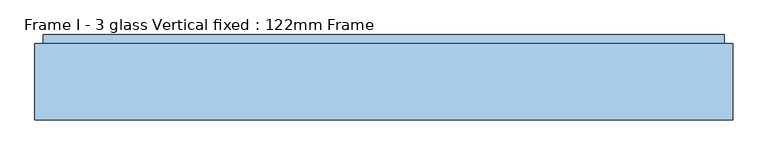
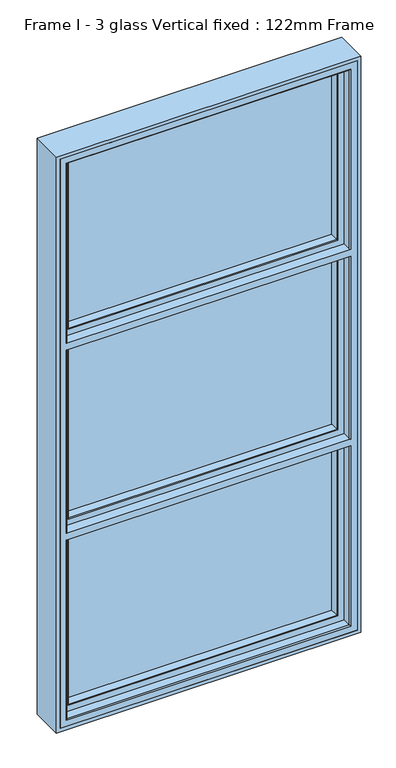
"""IFC4 building model written with IfcOpenShell, lengths in millimetres: window geometry, Frame I - 3 glass Vertical fixed : 122mm Frame."""

from ifc_helpers import new_model, si_unit, frame, origin, place, context, project, spatial, polyline, circle_curve, ellipse_curve, outline, extrude, source, transform, mapped, element, save
from ifc_brep_helpers import plane_surface, cylinder_surface, advanced_brep


def frame_i_3_glass_vertical_fixed_122mm_frame_846fc6fb(model_context):
    return source(origin(), model_context, "Body", "SolidModel", [
        extrude(outline(polyline([(-452.6, 141.0), (452.6, 141.0), (452.6, 93.0), (-452.6, 93.0), (-452.6, 141.0)])), frame((0.0, 0.0, 847.4), z_axis=(0.0, 0.0, 1.0), x_axis=(1.0, 0.0, 0.0)), (0.0, 0.0, 1.0), 599.2666667),
        advanced_brep(
        [(-437.8697056, 91.0, 1432.9363723), (-440.9078547, 66.2562613, 1435.9745214), (-440.9078547, 66.2562613, 859.0921453), (-437.8697056, 91.0, 862.1302944), (-442.892947, 64.5, 1437.9596137), (-442.892947, 64.5, 857.107053), (440.9078547, 66.2562613, 859.0921453), (437.8697056, 91.0, 862.1302944), (-461.5, 91.0, 1456.5666667), (461.5, 91.0, 1456.5666667), (461.5, 91.0, 838.5), (-461.5, 91.0, 838.5), (437.8697056, 91.0, 1432.9363723), (-461.5, 82.0, 1456.5666667), (-461.5, 82.0, 838.5), (461.5, 82.0, 838.5), (-464.0, 82.0, 1459.0666667), (464.0, 82.0, 1459.0666667), (464.0, 82.0, 836.0), (-464.0, 82.0, 836.0), (461.5, 82.0, 1456.5666667), (-464.0, 64.5, 1459.0666667), (-464.0, 64.5, 836.0), (464.0, 64.5, 836.0), (464.0, 64.5, 1459.0666667), (442.892947, 64.5, 1437.9596137), (442.892947, 64.5, 857.107053), (440.9078547, 66.2562613, 1435.9745214)],
        [
            (0, 1),
            (1, 2),
            (2, 3),
            (3, 0),
            (1, 4, ellipse_curve(frame((-442.892947, 66.5, 1437.9596137), z_axis=(-0.7071067811865475, 0.0, -0.7071067811865475), x_axis=(-0.7071067811865474, 0.0, 0.7071067811865476)), 2.8284271, 2.0)),
            (4, 5),
            (5, 2, ellipse_curve(frame((-442.892947, 66.5, 857.107053), z_axis=(-0.7071067811865475, 0.0, 0.7071067811865475), x_axis=(0.7071067811865474, 0.0, 0.7071067811865476)), 2.8284271, 2.0)),
            (2, 6),
            (6, 7),
            (7, 3),
            (8, 9),
            (9, 10),
            (10, 11),
            (11, 8),
            (7, 12),
            (12, 0),
            (13, 8),
            (11, 14),
            (14, 13),
            (10, 15),
            (15, 14),
            (16, 17),
            (17, 18),
            (18, 19),
            (19, 16),
            (15, 20),
            (20, 13),
            (21, 16),
            (19, 22),
            (22, 21),
            (18, 23),
            (23, 22),
            (23, 24),
            (24, 21),
            (4, 25),
            (25, 26),
            (26, 5),
            (26, 6, ellipse_curve(frame((442.892947, 66.5, 857.107053), z_axis=(-0.7071067811865475, 0.0, -0.7071067811865475), x_axis=(-0.7071067811865476, 0.0, 0.7071067811865474)), 2.8284271, 2.0)),
            (6, 27),
            (27, 12),
            (9, 20),
            (17, 24),
            (25, 27, ellipse_curve(frame((442.892947, 66.5, 1437.9596137), z_axis=(0.7071067811865475, 0.0, -0.7071067811865475), x_axis=(-0.7071067811865474, 0.0, -0.7071067811865476)), 2.8284271, 2.0)),
            (27, 1),
        ],
        [
            plane_surface(frame((-440.9078547, 66.2562613, 1435.9745214), z_axis=(0.9925461516413219, -0.12186934340514886, 0.0), x_axis=(0.0, 0.0, -1.0))),
            cylinder_surface(frame((-442.892947, 66.5, 1432.6666667), z_axis=(0.0, 0.0, 1.0), x_axis=(0.0, 1.0, 0.0)), 2.0),
            plane_surface(frame((-440.9078547, 66.2562613, 859.0921453), z_axis=(0.0, -0.12186934340514886, 0.9925461516413219), x_axis=(1.0, 0.0, 0.0))),
            plane_surface(frame((437.8697056, 91.0, 1432.9363723), z_axis=(0.0, 1.0, 0.0), x_axis=(-1.0, 0.0, 0.0))),
            plane_surface(frame((-461.5, 91.0, 1456.5666667), z_axis=(-1.0, 0.0, 0.0), x_axis=(0.0, 0.0, -1.0))),
            plane_surface(frame((-461.5, 91.0, 838.5), z_axis=(0.0, 0.0, -1.0), x_axis=(1.0, 0.0, 0.0))),
            plane_surface(frame((461.5, 82.0, 1456.5666667), z_axis=(0.0, 1.0, 0.0), x_axis=(-1.0, 0.0, 0.0))),
            plane_surface(frame((-464.0, 82.0, 1459.0666667), z_axis=(-1.0, 0.0, 0.0), x_axis=(0.0, 0.0, -1.0))),
            plane_surface(frame((-464.0, 82.0, 836.0), z_axis=(0.0, 0.0, -1.0), x_axis=(1.0, 0.0, 0.0))),
            plane_surface(frame((464.0, 64.5, 1459.0666667), z_axis=(0.0, -1.0, 0.0), x_axis=(-1.0, 0.0, 0.0))),
            cylinder_surface(frame((-437.6, 66.5, 857.107053), z_axis=(-1.0, 0.0, 0.0), x_axis=(0.0, 1.0, 0.0)), 2.0),
            plane_surface(frame((440.9078547, 66.2562613, 859.0921453), z_axis=(-0.9925461516413219, -0.12186934340514886, 0.0), x_axis=(0.0, 0.0, 1.0))),
            plane_surface(frame((461.5, 91.0, 838.5), z_axis=(1.0, 0.0, 0.0), x_axis=(0.0, 0.0, 1.0))),
            plane_surface(frame((464.0, 82.0, 836.0), z_axis=(1.0, 0.0, 0.0), x_axis=(0.0, 0.0, 1.0))),
            cylinder_surface(frame((442.892947, 66.5, 862.4), z_axis=(0.0, 0.0, -1.0), x_axis=(0.0, 1.0, 0.0)), 2.0),
            plane_surface(frame((440.9078547, 66.2562613, 1435.9745214), z_axis=(0.0, -0.12186934340514886, -0.9925461516413219), x_axis=(-1.0, 0.0, 0.0))),
            plane_surface(frame((461.5, 91.0, 1456.5666667), z_axis=(0.0, 0.0, 1.0), x_axis=(-1.0, 0.0, 0.0))),
            plane_surface(frame((464.0, 82.0, 1459.0666667), z_axis=(0.0, 0.0, 1.0), x_axis=(-1.0, 0.0, 0.0))),
            cylinder_surface(frame((437.6, 66.5, 1437.9596137), z_axis=(1.0, 0.0, 0.0), x_axis=(0.0, 1.0, 0.0)), 2.0),
        ],
        [
            (0, [[1, 2, 3, 4]]),
            (1, [[5, 6, 7, -2]]),
            (2, [[-3, 8, 9, 10]]),
            (3, [[11, 12, 13, 14], [-10, 15, 16, -4]]),
            (4, [[17, -14, 18, 19]]),
            (5, [[-18, -13, 20, 21]]),
            (6, [[22, 23, 24, 25], [-21, 26, 27, -19]]),
            (7, [[28, -25, 29, 30]]),
            (8, [[-29, -24, 31, 32]]),
            (9, [[-32, 33, 34, -30], [35, 36, 37, -6]]),
            (10, [[-7, -37, 38, -8]]),
            (11, [[-9, 39, 40, -15]]),
            (12, [[-20, -12, 41, -26]]),
            (13, [[-31, -23, 42, -33]]),
            (14, [[-38, -36, 43, -39]]),
            (15, [[-40, 44, -1, -16]]),
            (16, [[-41, -11, -17, -27]]),
            (17, [[-42, -22, -28, -34]]),
            (18, [[-43, -35, -5, -44]]),
        ],
    ),
        advanced_brep(
        [(-488.0, 90.5, 2788.0), (-488.0, 154.0, 2788.0), (-488.0, 154.0, 812.0), (-488.0, 90.5, 812.0), (-488.0, 90.5, 1458.6666667), (-488.0, 86.5, 1458.6666667), (-488.0, 86.5, 812.0), (-488.0, 32.0, 812.0), (-488.0, 32.0, 2788.0), (-488.0, 86.5, 2788.0), (-488.0, 86.5, 2141.3333333), (-488.0, 90.5, 2141.3333333), (-488.0, 90.5, 1482.6666667), (-488.0, 90.5, 2117.3333333), (-488.0, 86.5, 2117.3333333), (-488.0, 86.5, 1482.6666667), (488.0, 154.0, 2788.0), (488.0, 154.0, 812.0), (-441.2576108, 154.0, 858.7423892), (441.2576108, 154.0, 858.7423892), (441.2576108, 154.0, 1435.9242774), (-441.2576108, 154.0, 1435.9242774), (441.2576108, 154.0, 2741.2576108), (-441.2576108, 154.0, 2741.2576108), (-441.2576108, 154.0, 2164.0757226), (441.2576108, 154.0, 2164.0757226), (441.2576108, 154.0, 1505.4090559), (441.2576108, 154.0, 2094.5909441), (-441.2576108, 154.0, 2094.5909441), (-441.2576108, 154.0, 1505.4090559), (488.0, 90.5, 812.0), (488.0, 90.5, 1458.6666667), (481.0, 90.5, 1458.6666667), (481.0, 90.5, 819.0), (-481.0, 90.5, 819.0), (-481.0, 90.5, 1458.6666667), (488.0, 90.5, 2788.0), (-481.0, 90.5, 2141.3333333), (-481.0, 90.5, 2781.0), (481.0, 90.5, 2781.0), (481.0, 90.5, 2141.3333333), (488.0, 90.5, 2141.3333333), (-481.0, 90.5, 1482.6666667), (-481.0, 90.5, 2117.3333333), (481.0, 90.5, 1482.6666667), (488.0, 90.5, 1482.6666667), (488.0, 90.5, 2117.3333333), (481.0, 90.5, 2117.3333333), (-481.0, 86.5, 819.0), (481.0, 86.5, 819.0), (481.0, 86.5, 1458.6666667), (488.0, 86.5, 1458.6666667), (488.0, 86.5, 812.0), (-481.0, 86.5, 1458.6666667), (481.0, 86.5, 2781.0), (-481.0, 86.5, 2781.0), (-481.0, 86.5, 2141.3333333), (488.0, 86.5, 2788.0), (488.0, 86.5, 2141.3333333), (481.0, 86.5, 2141.3333333), (-481.0, 86.5, 1482.6666667), (-481.0, 86.5, 2117.3333333), (488.0, 86.5, 1482.6666667), (481.0, 86.5, 1482.6666667), (481.0, 86.5, 2117.3333333), (488.0, 86.5, 2117.3333333), (488.0, 32.0, 812.0), (488.0, 32.0, 2788.0), (467.0, 32.0, 833.0), (-467.0, 32.0, 833.0), (-467.0, 32.0, 1458.6666667), (467.0, 32.0, 1458.6666667), (-467.0, 32.0, 2767.0), (467.0, 32.0, 2767.0), (467.0, 32.0, 2141.3333333), (-467.0, 32.0, 2141.3333333), (-467.0, 32.0, 1482.6666667), (-467.0, 32.0, 2117.3333333), (467.0, 32.0, 2117.3333333), (467.0, 32.0, 1482.6666667), (-438.0131086, 143.3877115, 861.9868914), (-438.0131086, 142.0, 861.9868914), (438.0131086, 142.0, 861.9868914), (438.0131086, 143.3877115, 861.9868914), (-462.2226568, 142.0, 837.7773432), (462.2226568, 142.0, 837.7773432), (462.2226568, 142.0, 1456.7286793), (-462.2226568, 142.0, 1456.7286793), (-438.0131086, 142.0, 1432.2555093), (438.0131086, 142.0, 1432.2555093), (462.2226568, 142.0, 2762.2226568), (-462.2226568, 142.0, 2762.2226568), (-462.2226568, 142.0, 2143.2713207), (462.2226568, 142.0, 2143.2713207), (-438.0131086, 142.0, 2738.0131086), (438.0131086, 142.0, 2738.0131086), (438.0131086, 142.0, 2167.7444907), (-438.0131086, 142.0, 2167.7444907), (-462.2226568, 142.0, 1484.6046541), (462.2226568, 142.0, 1484.6046541), (462.2226568, 142.0, 2115.3953459), (-462.2226568, 142.0, 2115.3953459), (438.0131086, 142.0, 1509.0778241), (-438.0131086, 142.0, 1509.0778241), (-438.0131086, 142.0, 2090.9221759), (438.0131086, 142.0, 2090.9221759), (-438.0131086, 143.3877115, 1432.6797752), (-438.0131086, 143.3877115, 2738.0131086), (-438.0131086, 143.3877115, 2167.3202248), (-438.0131086, 143.3877115, 1508.6535581), (-438.0131086, 143.3877115, 2091.3464419), (438.0131086, 143.3877115, 1432.6797752), (438.0131086, 143.3877115, 2738.0131086), (438.0131086, 143.3877115, 2167.3202248), (438.0131086, 143.3877115, 1508.6535581), (438.0131086, 143.3877115, 2091.3464419), (-455.7805994, 91.0, 844.2194006), (455.7805994, 91.0, 844.2194006), (455.7805994, 91.0, 1450.4666667), (455.7805994, 91.0, 2755.7805994), (455.7805994, 91.0, 2149.5333333), (455.7805994, 91.0, 1490.8666667), (455.7805994, 91.0, 2109.1333333), (-455.7805994, 91.0, 1450.4666667), (-455.7805994, 91.0, 2755.7805994), (-455.7805994, 91.0, 2149.5333333), (-455.7805994, 91.0, 1490.8666667), (-455.7805994, 91.0, 2109.1333333), (-462.0, 91.0, 838.0), (462.0, 91.0, 838.0), (462.0, 91.0, 1458.6666667), (-462.0, 91.0, 1458.6666667), (462.0, 91.0, 2762.0), (-462.0, 91.0, 2762.0), (-462.0, 91.0, 2141.3333333), (462.0, 91.0, 2141.3333333), (-462.0, 91.0, 1482.6666667), (462.0, 91.0, 1482.6666667), (462.0, 91.0, 2117.3333333), (-462.0, 91.0, 2117.3333333), (-462.0, 83.0, 838.0), (462.0, 83.0, 838.0), (462.0, 83.0, 1458.6666667), (462.0, 83.0, 2762.0), (462.0, 83.0, 2141.3333333), (462.0, 83.0, 1482.6666667), (462.0, 83.0, 2117.3333333), (-462.0, 83.0, 1458.6666667), (-462.0, 83.0, 2762.0), (-462.0, 83.0, 2141.3333333), (-462.0, 83.0, 1482.6666667), (-462.0, 83.0, 2117.3333333), (464.0, 35.0, 836.0), (-464.0, 35.0, 836.0), (-464.0, 35.0, 1458.6666667), (-464.0, 35.0, 2764.0), (-464.0, 35.0, 2141.3333333), (-464.0, 35.0, 1482.6666667), (-464.0, 35.0, 2117.3333333), (464.0, 35.0, 1458.6666667), (464.0, 35.0, 2764.0), (464.0, 35.0, 2141.3333333), (464.0, 35.0, 1482.6666667), (464.0, 35.0, 2117.3333333), (-464.0, 83.0, 836.0), (-464.0, 83.0, 1458.6666667), (-464.0, 83.0, 2764.0), (-464.0, 83.0, 2141.3333333), (-464.0, 83.0, 1482.6666667), (-464.0, 83.0, 2117.3333333), (464.0, 83.0, 836.0), (464.0, 83.0, 1458.6666667), (464.0, 83.0, 2764.0), (464.0, 83.0, 2141.3333333), (464.0, 83.0, 1482.6666667), (464.0, 83.0, 2117.3333333)],
        [
            (0, 1),
            (1, 2),
            (2, 3),
            (3, 4),
            (4, 5),
            (5, 6),
            (6, 7),
            (7, 8),
            (8, 9),
            (9, 10),
            (10, 11),
            (11, 0),
            (12, 13),
            (13, 14),
            (14, 15),
            (15, 12),
            (16, 17),
            (17, 2),
            (1, 16),
            (18, 19),
            (19, 20),
            (20, 21),
            (21, 18),
            (22, 23),
            (23, 24),
            (24, 25),
            (25, 22),
            (26, 27),
            (27, 28),
            (28, 29),
            (29, 26),
            (17, 30),
            (30, 3),
            (30, 31),
            (31, 32),
            (32, 33),
            (33, 34),
            (34, 35),
            (35, 4),
            (36, 0),
            (11, 37),
            (37, 38),
            (38, 39),
            (39, 40),
            (40, 41),
            (41, 36),
            (12, 42),
            (42, 43),
            (43, 13),
            (44, 45),
            (45, 46),
            (46, 47),
            (47, 44),
            (48, 49),
            (49, 50),
            (50, 51),
            (51, 52),
            (52, 6),
            (5, 53),
            (53, 48),
            (54, 55),
            (55, 56),
            (56, 10),
            (9, 57),
            (57, 58),
            (58, 59),
            (59, 54),
            (60, 15),
            (14, 61),
            (61, 60),
            (62, 63),
            (63, 64),
            (64, 65),
            (65, 62),
            (66, 7),
            (52, 66),
            (66, 67),
            (67, 8),
            (68, 69),
            (69, 70),
            (70, 71),
            (71, 68),
            (72, 73),
            (73, 74),
            (74, 75),
            (75, 72),
            (76, 77),
            (77, 78),
            (78, 79),
            (79, 76),
            (16, 36),
            (41, 58),
            (57, 67),
            (51, 31),
            (65, 46),
            (45, 62),
            (80, 81),
            (81, 82),
            (82, 83),
            (83, 80),
            (84, 85),
            (85, 86),
            (86, 87),
            (87, 84),
            (81, 88),
            (88, 89),
            (89, 82),
            (90, 91),
            (91, 92),
            (92, 93),
            (93, 90),
            (94, 95),
            (95, 96),
            (96, 97),
            (97, 94),
            (98, 99),
            (99, 100),
            (100, 101),
            (101, 98),
            (102, 103),
            (103, 104),
            (104, 105),
            (105, 102),
            (80, 106),
            (106, 88),
            (107, 94),
            (97, 108),
            (108, 107),
            (103, 109),
            (109, 110),
            (110, 104),
            (89, 111),
            (111, 83),
            (95, 112),
            (112, 113),
            (113, 96),
            (114, 102),
            (105, 115),
            (115, 114),
            (84, 116),
            (116, 117),
            (117, 85),
            (117, 118),
            (118, 86),
            (119, 90),
            (93, 120),
            (120, 119),
            (99, 121),
            (121, 122),
            (122, 100),
            (87, 123),
            (123, 116),
            (91, 124),
            (124, 125),
            (125, 92),
            (126, 98),
            (101, 127),
            (127, 126),
            (128, 129),
            (129, 130),
            (130, 131),
            (131, 128),
            (123, 118),
            (132, 133),
            (133, 134),
            (134, 135),
            (135, 132),
            (120, 125),
            (124, 119),
            (136, 137),
            (137, 138),
            (138, 139),
            (139, 136),
            (121, 126),
            (127, 122),
            (128, 140),
            (140, 141),
            (141, 129),
            (141, 142),
            (142, 130),
            (143, 132),
            (135, 144),
            (144, 143),
            (137, 145),
            (145, 146),
            (146, 138),
            (131, 147),
            (147, 140),
            (133, 148),
            (148, 149),
            (149, 134),
            (150, 136),
            (139, 151),
            (151, 150),
            (152, 153),
            (153, 69, ellipse_curve(frame((-467.0, 35.0, 833.0), z_axis=(0.7071067811865475, 0.0, -0.7071067811865475), x_axis=(-0.7071067811865476, 0.0, -0.7071067811865474)), 4.2426407, 3.0)),
            (68, 152, ellipse_curve(frame((467.0, 35.0, 833.0), z_axis=(-0.7071067811865475, 0.0, -0.7071067811865475), x_axis=(-0.7071067811865476, 0.0, 0.7071067811865474)), 4.2426407, 3.0)),
            (153, 154),
            (154, 70, circle_curve(frame((-467.0, 35.0, 1458.6666667), z_axis=(0.0, 0.0, -1.0), x_axis=(0.0, 1.0, 0.0)), 3.0)),
            (155, 72, ellipse_curve(frame((-467.0, 35.0, 2767.0), z_axis=(-0.7071067811865475, 0.0, -0.7071067811865475), x_axis=(-0.7071067811865474, 0.0, 0.7071067811865476)), 4.2426407, 3.0)),
            (75, 156, circle_curve(frame((-467.0, 35.0, 2141.3333333), z_axis=(0.0, 0.0, 1.0), x_axis=(0.0, 1.0, 0.0)), 3.0)),
            (156, 155),
            (76, 157, circle_curve(frame((-467.0, 35.0, 1482.6666667), z_axis=(0.0, 0.0, 1.0), x_axis=(0.0, 1.0, 0.0)), 3.0)),
            (157, 158),
            (158, 77, circle_curve(frame((-467.0, 35.0, 2117.3333333), z_axis=(0.0, 0.0, -1.0), x_axis=(0.0, 1.0, 0.0)), 3.0)),
            (71, 159, circle_curve(frame((467.0, 35.0, 1458.6666667), z_axis=(0.0, 0.0, -1.0), x_axis=(0.0, 1.0, 0.0)), 3.0)),
            (159, 152),
            (73, 160, ellipse_curve(frame((467.0, 35.0, 2767.0), z_axis=(0.7071067811865475, 0.0, -0.7071067811865475), x_axis=(-0.7071067811865474, 0.0, -0.7071067811865476)), 4.2426407, 3.0)),
            (160, 161),
            (161, 74, circle_curve(frame((467.0, 35.0, 2141.3333333), z_axis=(0.0, 0.0, 1.0), x_axis=(0.0, 1.0, 0.0)), 3.0)),
            (162, 79, circle_curve(frame((467.0, 35.0, 1482.6666667), z_axis=(0.0, 0.0, 1.0), x_axis=(0.0, 1.0, 0.0)), 3.0)),
            (78, 163, circle_curve(frame((467.0, 35.0, 2117.3333333), z_axis=(0.0, 0.0, -1.0), x_axis=(0.0, 1.0, 0.0)), 3.0)),
            (163, 162),
            (18, 80),
            (83, 19),
            (111, 20),
            (112, 22),
            (25, 113),
            (26, 114),
            (115, 27),
            (21, 106),
            (23, 107),
            (108, 24),
            (109, 29),
            (28, 110),
            (153, 164),
            (164, 165),
            (165, 154),
            (166, 155),
            (156, 167),
            (167, 166),
            (157, 168),
            (168, 169),
            (169, 158),
            (152, 170),
            (170, 164),
            (170, 171),
            (171, 142),
            (147, 165),
            (172, 166),
            (167, 149),
            (148, 143),
            (144, 173),
            (173, 172),
            (145, 174),
            (174, 175),
            (175, 146),
            (168, 150),
            (151, 169),
            (159, 171),
            (160, 172),
            (173, 161),
            (174, 162),
            (163, 175),
            (34, 48),
            (53, 35),
            (55, 38),
            (37, 56),
            (42, 60),
            (61, 43),
            (33, 49),
            (32, 50),
            (39, 54),
            (59, 40),
            (63, 44),
            (47, 64),
            (107, 112),
            (155, 160),
        ],
        [
            plane_surface(frame((-488.0, 154.0, 1435.9242774), z_axis=(-1.0000000000000002, 0.0, 0.0), x_axis=(0.0, -0.9563047559638646, -0.29237170472002516))),
            plane_surface(frame((-488.0, 154.0, 1505.4090559), z_axis=(0.0, 1.0, 0.0), x_axis=(1.0, 0.0, 0.0))),
            plane_surface(frame((-488.0, 154.0, 812.0), z_axis=(0.0, 0.0, -1.0), x_axis=(1.0, 0.0, 0.0))),
            plane_surface(frame((488.0, 90.5, 2788.0), z_axis=(0.0, -1.0, 0.0), x_axis=(-1.0, 0.0, 0.0))),
            plane_surface(frame((481.0, 86.5, 2781.0), z_axis=(0.0, 1.0, 0.0), x_axis=(-1.0, 0.0, 0.0))),
            plane_surface(frame((-488.0, 86.5, 812.0), z_axis=(0.0, 0.0, -1.0), x_axis=(1.0, 0.0, 0.0))),
            plane_surface(frame((-488.0, 32.0, 1458.6666667), z_axis=(0.0, -1.0, 0.0), x_axis=(1.0, 0.0, 0.0))),
            plane_surface(frame((488.0, 154.0, 1435.9242774), z_axis=(1.0000000000000002, 0.0, 0.0), x_axis=(0.0, 0.9563047559638646, 0.29237170472002516))),
            plane_surface(frame((-438.0131086, 142.0, 861.9868914), z_axis=(0.0, 0.0, 1.0), x_axis=(1.0, 0.0, 0.0))),
            plane_surface(frame((-488.0, 142.0, 1432.2555093), z_axis=(0.0, -1.0, 0.0), x_axis=(1.0, 0.0, 0.0))),
            plane_surface(frame((-438.0131086, 142.0, 2738.0131086), z_axis=(1.0, 0.0, 0.0), x_axis=(0.0, 0.0, -1.0))),
            plane_surface(frame((438.0131086, 142.0, 861.9868914), z_axis=(-1.0, 0.0, 0.0), x_axis=(0.0, 0.0, 1.0))),
            plane_surface(frame((-455.7805994, 91.0, 844.2194006), z_axis=(0.0, 0.1253190461918616, 0.992116493493361), x_axis=(1.0, 0.0, 0.0))),
            plane_surface(frame((455.7805994, 91.0, 844.2194006), z_axis=(-0.992116493493361, 0.1253190461918616, 0.0), x_axis=(0.0, 0.0, 1.0))),
            plane_surface(frame((-455.7805994, 91.0, 2755.7805994), z_axis=(0.992116493493361, 0.1253190461918616, 0.0), x_axis=(0.0, 0.0, -1.0))),
            plane_surface(frame((-488.0, 91.0, 1450.4666667), z_axis=(0.0, -1.0, 0.0), x_axis=(1.0, 0.0, 0.0))),
            plane_surface(frame((-462.0, 83.0, 838.0), z_axis=(0.0, 0.0, 1.0), x_axis=(1.0, 0.0, 0.0))),
            plane_surface(frame((462.0, 83.0, 838.0), z_axis=(-1.0, 0.0, 0.0), x_axis=(0.0, 0.0, 1.0))),
            plane_surface(frame((-462.0, 83.0, 2762.0), z_axis=(1.0, 0.0, 0.0), x_axis=(0.0, 0.0, -1.0))),
            cylinder_surface(frame((-488.0, 35.0, 833.0), z_axis=(-1.0, 0.0, 0.0), x_axis=(0.0, 1.0, 0.0)), 3.0),
            cylinder_surface(frame((-467.0, 35.0, 2788.0), z_axis=(0.0, 0.0, 1.0), x_axis=(0.0, 1.0, 0.0)), 3.0),
            cylinder_surface(frame((467.0, 35.0, 812.0), z_axis=(0.0, 0.0, -1.0), x_axis=(0.0, 1.0, 0.0)), 3.0),
            plane_surface(frame((-438.0131086, 143.3877115, 861.9868914), z_axis=(0.0, 0.29237170472308205, 0.95630475596293), x_axis=(1.0, 0.0, 0.0))),
            plane_surface(frame((438.0131086, 143.3877115, 861.9868914), z_axis=(-0.95630475596293, 0.29237170472308205, 0.0), x_axis=(0.0, 0.0, 1.0))),
            plane_surface(frame((-438.0131086, 143.3877115, 2738.0131086), z_axis=(0.95630475596293, 0.29237170472308205, 0.0), x_axis=(0.0, 0.0, -1.0))),
            plane_surface(frame((-464.0, 35.0, 2764.0), z_axis=(1.0, 0.0, 0.0), x_axis=(0.0, 0.0, -1.0))),
            plane_surface(frame((-464.0, 35.0, 836.0), z_axis=(0.0, 0.0, 1.0), x_axis=(1.0, 0.0, 0.0))),
            plane_surface(frame((464.0, 83.0, 2764.0), z_axis=(0.0, -1.0, 0.0), x_axis=(-1.0, 0.0, 0.0))),
            plane_surface(frame((464.0, 35.0, 836.0), z_axis=(-1.0, 0.0, 0.0), x_axis=(0.0, 0.0, 1.0))),
            plane_surface(frame((-481.0, 90.5, 2781.0), z_axis=(-1.0, 0.0, 0.0), x_axis=(0.0, 0.0, -1.0))),
            plane_surface(frame((-481.0, 90.5, 819.0), z_axis=(0.0, 0.0, -1.0), x_axis=(1.0, 0.0, 0.0))),
            plane_surface(frame((481.0, 90.5, 819.0), z_axis=(1.0, 0.0, 0.0), x_axis=(0.0, 0.0, 1.0))),
            plane_surface(frame((488.0, 154.0, 2788.0), z_axis=(0.0, 0.0, 1.0), x_axis=(-1.0, 0.0, 0.0))),
            plane_surface(frame((488.0, 86.5, 2788.0), z_axis=(0.0, 0.0, 1.0), x_axis=(-1.0, 0.0, 0.0))),
            plane_surface(frame((438.0131086, 142.0, 2738.0131086), z_axis=(0.0, 0.0, -1.0), x_axis=(-1.0, 0.0, 0.0))),
            plane_surface(frame((-488.0, 142.0, 2167.7444907), z_axis=(0.0, 0.29237170472000895, 0.9563047559638694), x_axis=(1.0, 0.0, 0.0))),
            plane_surface(frame((455.7805994, 91.0, 2755.7805994), z_axis=(0.0, 0.1253190461918616, -0.992116493493361), x_axis=(-1.0, 0.0, 0.0))),
            plane_surface(frame((462.0, 83.0, 2762.0), z_axis=(0.0, 0.0, -1.0), x_axis=(-1.0, 0.0, 0.0))),
            cylinder_surface(frame((488.0, 35.0, 2767.0), z_axis=(1.0, 0.0, 0.0), x_axis=(0.0, 1.0, 0.0)), 3.0),
            plane_surface(frame((438.0131086, 143.3877115, 2738.0131086), z_axis=(0.0, 0.29237170472308205, -0.95630475596293), x_axis=(-1.0, 0.0, 0.0))),
            plane_surface(frame((464.0, 35.0, 2764.0), z_axis=(0.0, 0.0, -1.0), x_axis=(-1.0, 0.0, 0.0))),
            plane_surface(frame((481.0, 90.5, 2781.0), z_axis=(0.0, 0.0, 1.0), x_axis=(-1.0, 0.0, 0.0))),
            plane_surface(frame((-488.0, 154.0, 1435.9242774), z_axis=(0.0, 0.29237170472002516, -0.9563047559638646), x_axis=(1.0, 0.0, 0.0))),
            plane_surface(frame((-488.0, 142.0, 1456.7286793), z_axis=(0.0, 0.12186934340546669, -0.9925461516412829), x_axis=(1.0, 0.0, 0.0))),
            plane_surface(frame((-488.0, 91.0, 1458.6666667), z_axis=(0.0, 0.0, -1.0), x_axis=(1.0, 0.0, 0.0))),
            plane_surface(frame((-488.0, 32.0, 1482.6666667), z_axis=(0.0, 0.0, 1.0), x_axis=(1.0, 0.0, 0.0))),
            plane_surface(frame((-488.0, 91.0, 1490.8666667), z_axis=(0.0, 0.1218693434055982, 0.9925461516412667), x_axis=(1.0, 0.0, 0.0))),
            plane_surface(frame((-488.0, 142.0, 1509.0778241), z_axis=(0.0, 0.29237170472005614, 0.9563047559638551), x_axis=(1.0, 0.0, 0.0))),
            plane_surface(frame((-488.0, 154.0, 2094.5909441), z_axis=(0.0, 0.2923717047199766, -0.9563047559638794), x_axis=(1.0, 0.0, 0.0))),
            plane_surface(frame((-488.0, 142.0, 2115.3953459), z_axis=(0.0, 0.12186934340530217, -0.9925461516413031), x_axis=(1.0, 0.0, 0.0))),
            plane_surface(frame((-488.0, 91.0, 2117.3333333), z_axis=(0.0, 0.0, -1.0), x_axis=(1.0, 0.0, 0.0))),
            plane_surface(frame((-488.0, 32.0, 2141.3333333), z_axis=(0.0, 0.0, 1.0), x_axis=(1.0, 0.0, 0.0))),
            plane_surface(frame((-488.0, 91.0, 2149.5333333), z_axis=(0.0, 0.12186934340544407, 0.9925461516412857), x_axis=(1.0, 0.0, 0.0))),
        ],
        [
            (0, [[1, 2, 3, 4, 5, 6, 7, 8, 9, 10, 11, 12], [13, 14, 15, 16]]),
            (1, [[17, 18, -2, 19], [20, 21, 22, 23], [24, 25, 26, 27], [28, 29, 30, 31]]),
            (2, [[-3, -18, 32, 33]]),
            (3, [[-33, 34, 35, 36, 37, 38, 39, -4]]),
            (3, [[40, -12, 41, 42, 43, 44, 45, 46]]),
            (3, [[47, 48, 49, -13]]),
            (3, [[50, 51, 52, 53]]),
            (4, [[54, 55, 56, 57, 58, -6, 59, 60]]),
            (4, [[61, 62, 63, -10, 64, 65, 66, 67]]),
            (4, [[68, -15, 69, 70]]),
            (4, [[71, 72, 73, 74]]),
            (5, [[75, -7, -58, 76]]),
            (6, [[-8, -75, 77, 78], [79, 80, 81, 82], [83, 84, 85, 86], [87, 88, 89, 90]]),
            (7, [[-32, -17, 91, -46, 92, -65, 93, -77, -76, -57, 94, -34], [-74, 95, -51, 96]]),
            (8, [[97, 98, 99, 100]]),
            (9, [[101, 102, 103, 104], [-98, 105, 106, 107]]),
            (9, [[108, 109, 110, 111], [112, 113, 114, 115]]),
            (9, [[116, 117, 118, 119], [120, 121, 122, 123]]),
            (10, [[-97, 124, 125, -105]]),
            (10, [[126, -115, 127, 128]]),
            (10, [[129, 130, 131, -121]]),
            (11, [[-99, -107, 132, 133]]),
            (11, [[134, 135, 136, -113]]),
            (11, [[137, -123, 138, 139]]),
            (12, [[-101, 140, 141, 142]]),
            (13, [[-142, 143, 144, -102]]),
            (13, [[145, -111, 146, 147]]),
            (13, [[-117, 148, 149, 150]]),
            (14, [[-140, -104, 151, 152]]),
            (14, [[-109, 153, 154, 155]]),
            (14, [[156, -119, 157, 158]]),
            (15, [[159, 160, 161, 162], [-141, -152, 163, -143]]),
            (15, [[164, 165, 166, 167], [-147, 168, -154, 169]]),
            (15, [[170, 171, 172, 173], [174, -158, 175, -149]]),
            (16, [[176, 177, 178, -159]]),
            (17, [[-178, 179, 180, -160]]),
            (17, [[181, -167, 182, 183]]),
            (17, [[-171, 184, 185, 186]]),
            (18, [[-176, -162, 187, 188]]),
            (18, [[-165, 189, 190, 191]]),
            (18, [[192, -173, 193, 194]]),
            (19, [[195, 196, -79, 197]]),
            (20, [[-196, 198, 199, -80]]),
            (20, [[200, -86, 201, 202]]),
            (20, [[203, 204, 205, -87]]),
            (21, [[-197, -82, 206, 207]]),
            (21, [[208, 209, 210, -84]]),
            (21, [[211, -89, 212, 213]]),
            (22, [[214, -100, 215, -20]]),
            (23, [[-215, -133, 216, -21]]),
            (23, [[217, -27, 218, -135]]),
            (23, [[219, -139, 220, -28]]),
            (24, [[-214, -23, 221, -124]]),
            (24, [[222, -128, 223, -25]]),
            (24, [[224, -30, 225, -130]]),
            (25, [[226, 227, 228, -198]]),
            (25, [[229, -202, 230, 231]]),
            (25, [[232, 233, 234, -204]]),
            (26, [[-226, -195, 235, 236]]),
            (27, [[-236, 237, 238, -179, -177, -188, 239, -227]]),
            (27, [[240, -231, 241, -190, 242, -183, 243, 244]]),
            (27, [[245, 246, 247, -185]]),
            (27, [[248, -194, 249, -233]]),
            (28, [[-235, -207, 250, -237]]),
            (28, [[251, -244, 252, -209]]),
            (28, [[253, -213, 254, -246]]),
            (29, [[255, -60, 256, -38]]),
            (29, [[257, -42, 258, -62]]),
            (29, [[259, -70, 260, -48]]),
            (30, [[-255, -37, 261, -54]]),
            (31, [[-261, -36, 262, -55]]),
            (31, [[263, -67, 264, -44]]),
            (31, [[265, -53, 266, -72]]),
            (32, [[-1, -40, -91, -19]]),
            (33, [[-78, -93, -64, -9]]),
            (34, [[-126, 267, -134, -112]]),
            (35, [[-26, -223, -127, -114, -136, -218]]),
            (36, [[-108, -145, -169, -153]]),
            (37, [[-189, -164, -181, -242]]),
            (38, [[268, -208, -83, -200]]),
            (39, [[-222, -24, -217, -267]]),
            (40, [[-229, -240, -251, -268]]),
            (41, [[-257, -61, -263, -43]]),
            (42, [[-22, -216, -132, -106, -125, -221]]),
            (43, [[-163, -151, -103, -144]]),
            (44, [[-5, -39, -256, -59]]),
            (44, [[-94, -56, -262, -35]]),
            (44, [[-81, -199, -228, -239, -187, -161, -180, -238, -250, -206]]),
            (45, [[-16, -68, -259, -47]]),
            (45, [[-96, -50, -265, -71]]),
            (45, [[-90, -211, -253, -245, -184, -170, -192, -248, -232, -203]]),
            (46, [[-174, -148, -116, -156]]),
            (47, [[-120, -137, -219, -31, -224, -129]]),
            (48, [[-29, -220, -138, -122, -131, -225]]),
            (49, [[-118, -150, -175, -157]]),
            (50, [[-14, -49, -260, -69]]),
            (50, [[-95, -73, -266, -52]]),
            (50, [[-88, -205, -234, -249, -193, -172, -186, -247, -254, -212]]),
            (51, [[-11, -63, -258, -41]]),
            (51, [[-92, -45, -264, -66]]),
            (51, [[-85, -210, -252, -243, -182, -166, -191, -241, -230, -201]]),
            (52, [[-110, -155, -168, -146]]),
        ],
    ),
        extrude(outline(polyline([(2800.0, -500.0), (800.0, -500.0), (800.0, 500.0), (2800.0, 500.0), (2800.0, -500.0)]), holes=[polyline([(2788.0, 488.0), (812.0, 488.0), (812.0, -488.0), (2788.0, -488.0), (2788.0, 488.0)])]), frame((0.0, 32.0, 0.0), z_axis=(0.0, 1.0, 0.0), x_axis=(0.0, 0.0, 1.0)), (0.0, 0.0, 1.0), 109.0),
        extrude(outline(polyline([(-452.6, 141.0), (452.6, 141.0), (452.6, 93.0), (-452.6, 93.0), (-452.6, 141.0)])), frame((0.0, 0.0, 1494.6666667), z_axis=(0.0, 0.0, 1.0), x_axis=(1.0, 0.0, 0.0)), (0.0, 0.0, 1.0), 610.6666667),
        advanced_brep(
        [(-437.8697056, 91.0, 2091.6030389), (-440.9078547, 66.2562613, 2094.641188), (-440.9078547, 66.2562613, 1505.358812), (-437.8697056, 91.0, 1508.3969611), (-461.5, 82.0, 2115.2333333), (-461.5, 91.0, 2115.2333333), (-461.5, 91.0, 1484.7666667), (-461.5, 82.0, 1484.7666667), (-464.0, 64.5, 2117.7333333), (-464.0, 82.0, 2117.7333333), (-464.0, 82.0, 1482.2666667), (-464.0, 64.5, 1482.2666667), (-442.892947, 64.5, 2096.6262803), (-442.892947, 64.5, 1503.3737197), (440.9078547, 66.2562613, 1505.358812), (437.8697056, 91.0, 1508.3969611), (461.5, 91.0, 1484.7666667), (461.5, 82.0, 1484.7666667), (464.0, 82.0, 1482.2666667), (464.0, 64.5, 1482.2666667), (442.892947, 64.5, 1503.3737197), (440.9078547, 66.2562613, 2094.641188), (437.8697056, 91.0, 2091.6030389), (461.5, 91.0, 2115.2333333), (461.5, 82.0, 2115.2333333), (464.0, 82.0, 2117.7333333), (464.0, 64.5, 2117.7333333), (442.892947, 64.5, 2096.6262803)],
        [
            (0, 1),
            (1, 2),
            (2, 3),
            (3, 0),
            (4, 5),
            (5, 6),
            (6, 7),
            (7, 4),
            (8, 9),
            (9, 10),
            (10, 11),
            (11, 8),
            (1, 12, ellipse_curve(frame((-442.892947, 66.5, 2096.6262803), z_axis=(-0.7071067811865475, 0.0, -0.7071067811865475), x_axis=(-0.7071067811865474, 0.0, 0.7071067811865476)), 2.8284271, 2.0)),
            (12, 13),
            (13, 2, ellipse_curve(frame((-442.892947, 66.5, 1503.3737197), z_axis=(-0.7071067811865475, 0.0, 0.7071067811865475), x_axis=(0.7071067811865474, 0.0, 0.7071067811865476)), 2.8284271, 2.0)),
            (2, 14),
            (14, 15),
            (15, 3),
            (6, 16),
            (16, 17),
            (17, 7),
            (10, 18),
            (18, 19),
            (19, 11),
            (13, 20),
            (20, 14, ellipse_curve(frame((442.892947, 66.5, 1503.3737197), z_axis=(-0.7071067811865475, 0.0, -0.7071067811865475), x_axis=(-0.7071067811865476, 0.0, 0.7071067811865474)), 2.8284271, 2.0)),
            (14, 21),
            (21, 22),
            (22, 15),
            (16, 23),
            (23, 24),
            (24, 17),
            (18, 25),
            (25, 26),
            (26, 19),
            (20, 27),
            (27, 21, ellipse_curve(frame((442.892947, 66.5, 2096.6262803), z_axis=(0.7071067811865475, 0.0, -0.7071067811865475), x_axis=(-0.7071067811865474, 0.0, -0.7071067811865476)), 2.8284271, 2.0)),
            (21, 1),
            (0, 22),
            (5, 23),
            (4, 24),
            (9, 25),
            (8, 26),
            (12, 27),
        ],
        [
            plane_surface(frame((-440.9078547, 66.2562613, 2094.641188), z_axis=(0.9925461516413219, -0.12186934340514886, 0.0), x_axis=(0.0, 0.0, -1.0))),
            plane_surface(frame((-461.5, 91.0, 2115.2333333), z_axis=(-1.0, 0.0, 0.0), x_axis=(0.0, 0.0, -1.0))),
            plane_surface(frame((-464.0, 82.0, 2117.7333333), z_axis=(-1.0, 0.0, 0.0), x_axis=(0.0, 0.0, -1.0))),
            cylinder_surface(frame((-442.892947, 66.5, 2091.3333333), z_axis=(0.0, 0.0, 1.0), x_axis=(0.0, 1.0, 0.0)), 2.0),
            plane_surface(frame((-440.9078547, 66.2562613, 1505.358812), z_axis=(0.0, -0.12186934340514886, 0.9925461516413219), x_axis=(1.0, 0.0, 0.0))),
            plane_surface(frame((-461.5, 91.0, 1484.7666667), z_axis=(0.0, 0.0, -1.0), x_axis=(1.0, 0.0, 0.0))),
            plane_surface(frame((-464.0, 82.0, 1482.2666667), z_axis=(0.0, 0.0, -1.0), x_axis=(1.0, 0.0, 0.0))),
            cylinder_surface(frame((-437.6, 66.5, 1503.3737197), z_axis=(-1.0, 0.0, 0.0), x_axis=(0.0, 1.0, 0.0)), 2.0),
            plane_surface(frame((440.9078547, 66.2562613, 1505.358812), z_axis=(-0.9925461516413219, -0.12186934340514886, 0.0), x_axis=(0.0, 0.0, 1.0))),
            plane_surface(frame((461.5, 91.0, 1484.7666667), z_axis=(1.0, 0.0, 0.0), x_axis=(0.0, 0.0, 1.0))),
            plane_surface(frame((464.0, 82.0, 1482.2666667), z_axis=(1.0, 0.0, 0.0), x_axis=(0.0, 0.0, 1.0))),
            cylinder_surface(frame((442.892947, 66.5, 1508.6666667), z_axis=(0.0, 0.0, -1.0), x_axis=(0.0, 1.0, 0.0)), 2.0),
            plane_surface(frame((440.9078547, 66.2562613, 2094.641188), z_axis=(0.0, -0.12186934340514886, -0.9925461516413219), x_axis=(-1.0, 0.0, 0.0))),
            plane_surface(frame((437.8697056, 91.0, 2091.6030389), z_axis=(0.0, 1.0, 0.0), x_axis=(-1.0, 0.0, 0.0))),
            plane_surface(frame((461.5, 91.0, 2115.2333333), z_axis=(0.0, 0.0, 1.0), x_axis=(-1.0, 0.0, 0.0))),
            plane_surface(frame((461.5, 82.0, 2115.2333333), z_axis=(0.0, 1.0, 0.0), x_axis=(-1.0, 0.0, 0.0))),
            plane_surface(frame((464.0, 82.0, 2117.7333333), z_axis=(0.0, 0.0, 1.0), x_axis=(-1.0, 0.0, 0.0))),
            plane_surface(frame((464.0, 64.5, 2117.7333333), z_axis=(0.0, -1.0, 0.0), x_axis=(-1.0, 0.0, 0.0))),
            cylinder_surface(frame((437.6, 66.5, 2096.6262803), z_axis=(1.0, 0.0, 0.0), x_axis=(0.0, 1.0, 0.0)), 2.0),
        ],
        [
            (0, [[1, 2, 3, 4]]),
            (1, [[5, 6, 7, 8]]),
            (2, [[9, 10, 11, 12]]),
            (3, [[13, 14, 15, -2]]),
            (4, [[-3, 16, 17, 18]]),
            (5, [[-7, 19, 20, 21]]),
            (6, [[-11, 22, 23, 24]]),
            (7, [[-15, 25, 26, -16]]),
            (8, [[-17, 27, 28, 29]]),
            (9, [[-20, 30, 31, 32]]),
            (10, [[-23, 33, 34, 35]]),
            (11, [[-26, 36, 37, -27]]),
            (12, [[-28, 38, -1, 39]]),
            (13, [[40, -30, -19, -6], [-18, -29, -39, -4]]),
            (14, [[-31, -40, -5, 41]]),
            (15, [[42, -33, -22, -10], [-21, -32, -41, -8]]),
            (16, [[-34, -42, -9, 43]]),
            (17, [[-24, -35, -43, -12], [44, -36, -25, -14]]),
            (18, [[-37, -44, -13, -38]]),
        ],
    ),
        extrude(outline(polyline([(-452.6, 141.0), (452.6, 141.0), (452.6, 93.0), (-452.6, 93.0), (-452.6, 141.0)])), frame((0.0, 0.0, 2153.3333333), z_axis=(0.0, 0.0, 1.0), x_axis=(1.0, 0.0, 0.0)), (0.0, 0.0, 1.0), 599.2666667),
        advanced_brep(
        [(437.8697056, 91.0, 2737.8697056), (440.9078547, 66.2562613, 2740.9078547), (-440.9078547, 66.2562613, 2740.9078547), (-437.8697056, 91.0, 2737.8697056), (-440.9078547, 66.2562613, 2164.0254786), (-437.8697056, 91.0, 2167.0636277), (-442.892947, 64.5, 2742.892947), (-442.892947, 64.5, 2162.0403863), (440.9078547, 66.2562613, 2164.0254786), (437.8697056, 91.0, 2167.0636277), (-461.5, 91.0, 2761.5), (461.5, 91.0, 2761.5), (461.5, 91.0, 2143.4333333), (-461.5, 91.0, 2143.4333333), (461.5, 82.0, 2761.5), (-461.5, 82.0, 2761.5), (-461.5, 82.0, 2143.4333333), (-464.0, 82.0, 2764.0), (464.0, 82.0, 2764.0), (464.0, 82.0, 2140.9333333), (-464.0, 82.0, 2140.9333333), (461.5, 82.0, 2143.4333333), (464.0, 64.5, 2764.0), (-464.0, 64.5, 2764.0), (-464.0, 64.5, 2140.9333333), (464.0, 64.5, 2140.9333333), (442.892947, 64.5, 2742.892947), (442.892947, 64.5, 2162.0403863)],
        [
            (0, 1),
            (1, 2),
            (2, 3),
            (3, 0),
            (2, 4),
            (4, 5),
            (5, 3),
            (2, 6, ellipse_curve(frame((-442.892947, 66.5, 2742.892947), z_axis=(-0.7071067811865475, 0.0, -0.7071067811865475), x_axis=(-0.7071067811865474, 0.0, 0.7071067811865476)), 2.8284271, 2.0)),
            (6, 7),
            (7, 4, ellipse_curve(frame((-442.892947, 66.5, 2162.0403863), z_axis=(-0.7071067811865475, 0.0, 0.7071067811865475), x_axis=(0.7071067811865474, 0.0, 0.7071067811865476)), 2.8284271, 2.0)),
            (4, 8),
            (8, 9),
            (9, 5),
            (10, 11),
            (11, 12),
            (12, 13),
            (13, 10),
            (9, 0),
            (14, 11),
            (10, 15),
            (15, 14),
            (13, 16),
            (16, 15),
            (17, 18),
            (18, 19),
            (19, 20),
            (20, 17),
            (16, 21),
            (21, 14),
            (22, 18),
            (17, 23),
            (23, 22),
            (20, 24),
            (24, 23),
            (24, 25),
            (25, 22),
            (6, 26),
            (26, 27),
            (27, 7),
            (1, 26, ellipse_curve(frame((442.892947, 66.5, 2742.892947), z_axis=(-0.7071067811865475, 0.0, 0.7071067811865475), x_axis=(0.7071067811865476, 0.0, 0.7071067811865474)), 2.8284271, 2.0)),
            (8, 1),
            (8, 27, ellipse_curve(frame((442.892947, 66.5, 2162.0403863), z_axis=(0.7071067811865475, 0.0, 0.7071067811865475), x_axis=(0.7071067811865474, 0.0, -0.7071067811865476)), 2.8284271, 2.0)),
            (21, 12),
            (25, 19),
        ],
        [
            plane_surface(frame((440.9078547, 66.2562613, 2740.9078547), z_axis=(0.0, -0.12186934340514886, -0.9925461516413219), x_axis=(-1.0, 0.0, 0.0))),
            plane_surface(frame((-440.9078547, 66.2562613, 2740.9078547), z_axis=(0.9925461516413219, -0.12186934340514886, 0.0), x_axis=(0.0, 0.0, -1.0))),
            cylinder_surface(frame((-442.892947, 66.5, 2737.6), z_axis=(0.0, 0.0, 1.0), x_axis=(0.0, 1.0, 0.0)), 2.0),
            plane_surface(frame((-440.9078547, 66.2562613, 2164.0254786), z_axis=(0.0, -0.12186934340514886, 0.9925461516413219), x_axis=(1.0, 0.0, 0.0))),
            plane_surface(frame((437.8697056, 91.0, 2737.8697056), z_axis=(0.0, 1.0, 0.0), x_axis=(-1.0, 0.0, 0.0))),
            plane_surface(frame((461.5, 91.0, 2761.5), z_axis=(0.0, 0.0, 1.0), x_axis=(-1.0, 0.0, 0.0))),
            plane_surface(frame((-461.5, 91.0, 2761.5), z_axis=(-1.0, 0.0, 0.0), x_axis=(0.0, 0.0, -1.0))),
            plane_surface(frame((461.5, 82.0, 2761.5), z_axis=(0.0, 1.0, 0.0), x_axis=(-1.0, 0.0, 0.0))),
            plane_surface(frame((464.0, 82.0, 2764.0), z_axis=(0.0, 0.0, 1.0), x_axis=(-1.0, 0.0, 0.0))),
            plane_surface(frame((-464.0, 82.0, 2764.0), z_axis=(-1.0, 0.0, 0.0), x_axis=(0.0, 0.0, -1.0))),
            plane_surface(frame((464.0, 64.5, 2764.0), z_axis=(0.0, -1.0, 0.0), x_axis=(-1.0, 0.0, 0.0))),
            cylinder_surface(frame((437.6, 66.5, 2742.892947), z_axis=(1.0, 0.0, 0.0), x_axis=(0.0, 1.0, 0.0)), 2.0),
            plane_surface(frame((440.9078547, 66.2562613, 2164.0254786), z_axis=(-0.9925461516413219, -0.12186934340514886, 0.0), x_axis=(0.0, 0.0, 1.0))),
            cylinder_surface(frame((442.892947, 66.5, 2167.3333333), z_axis=(0.0, 0.0, -1.0), x_axis=(0.0, 1.0, 0.0)), 2.0),
            plane_surface(frame((461.5, 91.0, 2143.4333333), z_axis=(1.0, 0.0, 0.0), x_axis=(0.0, 0.0, 1.0))),
            plane_surface(frame((464.0, 82.0, 2140.9333333), z_axis=(1.0, 0.0, 0.0), x_axis=(0.0, 0.0, 1.0))),
            plane_surface(frame((-461.5, 91.0, 2143.4333333), z_axis=(0.0, 0.0, -1.0), x_axis=(1.0, 0.0, 0.0))),
            plane_surface(frame((-464.0, 82.0, 2140.9333333), z_axis=(0.0, 0.0, -1.0), x_axis=(1.0, 0.0, 0.0))),
            cylinder_surface(frame((-437.6, 66.5, 2162.0403863), z_axis=(-1.0, 0.0, 0.0), x_axis=(0.0, 1.0, 0.0)), 2.0),
        ],
        [
            (0, [[1, 2, 3, 4]]),
            (1, [[-3, 5, 6, 7]]),
            (2, [[8, 9, 10, -5]]),
            (3, [[-6, 11, 12, 13]]),
            (4, [[14, 15, 16, 17], [-13, 18, -4, -7]]),
            (5, [[19, -14, 20, 21]]),
            (6, [[-20, -17, 22, 23]]),
            (7, [[24, 25, 26, 27], [28, 29, -21, -23]]),
            (8, [[30, -24, 31, 32]]),
            (9, [[-31, -27, 33, 34]]),
            (10, [[35, 36, -32, -34], [37, 38, 39, -9]]),
            (11, [[40, -37, -8, -2]]),
            (12, [[-12, 41, -1, -18]]),
            (13, [[42, -38, -40, -41]]),
            (14, [[43, -15, -19, -29]]),
            (15, [[44, -25, -30, -36]]),
            (16, [[-22, -16, -43, -28]]),
            (17, [[-33, -26, -44, -35]]),
            (18, [[-10, -39, -42, -11]]),
        ],
    ),
    ])


if __name__ == "__main__":
    model = new_model("IFC4")
    model_context = context("Model", 3, world=origin())
    ifc_project = project(units=[si_unit("LENGTHUNIT", "METRE", prefix="MILLI")], contexts=[model_context])
    site = spatial("IfcSite", under=ifc_project)
    building = spatial("IfcBuilding", under=site)
    placement = place(None, origin())
    frame_i_3_glass_vertical_fixed_122mm_frame_shape = frame_i_3_glass_vertical_fixed_122mm_frame_846fc6fb(model_context)
    element("IfcWindow", 1, ObjectType="Frame I - 3 glass Vertical fixed : 122mm Frame", at=placement, inside=building, context=model_context, shape_type="MappedRepresentation", body=[
        mapped(frame_i_3_glass_vertical_fixed_122mm_frame_shape, transform((0.0, 0.0, 0.0), x_axis=(1.0, 0.0, 0.0), y_axis=(0.0, 1.0, 0.0), z_axis=(0.0, 0.0, 1.0))),
    ])
    save(model, "model.ifc")
